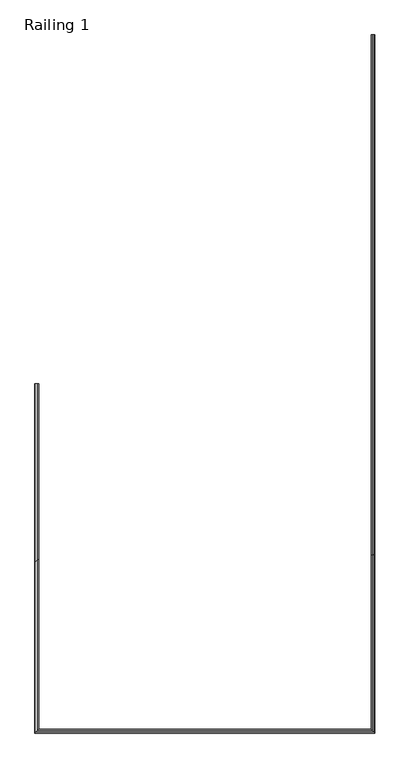
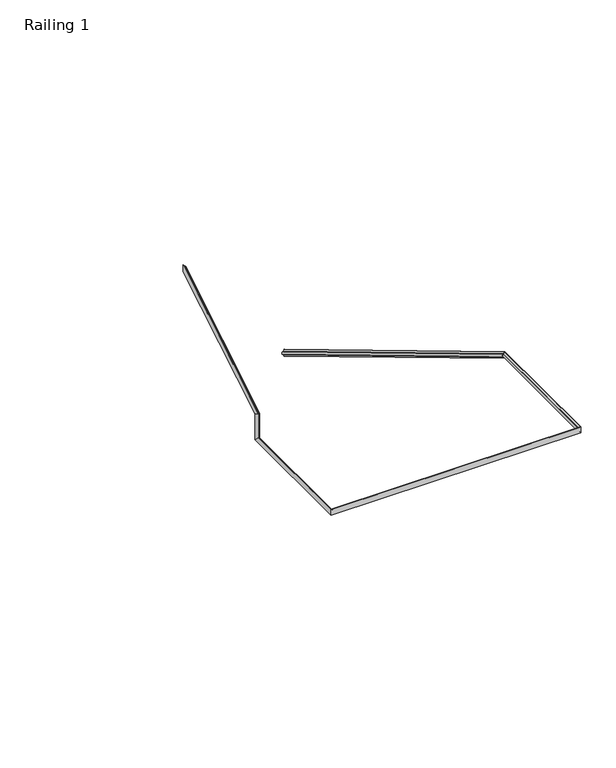
"""IFC4 building model written with IfcOpenShell, lengths in millimetres: railing geometry, Railing 1."""

from ifc_helpers import new_model, si_unit, frame, origin, place, context, project, spatial, polyline, ellipse_curve, source, transform, mapped, element, save
from ifc_brep_helpers import plane_surface, cylinder_surface, revolved_surface, advanced_brep


def railing_1_d3d0bb87(model_context):
    return source(origin(), model_context, "Body", "AdvancedBrep", [
        advanced_brep(
        [(1352.1483551, 5729.7049621, 3729.5630911), (1352.1483551, 5729.7049621, 3680.0), (1349.1483551, 5729.7049621, 3680.0), (1340.6483551, 5729.7049621, 3691.6619038), (1340.6483551, 5729.7049621, 3694.8689273), (1340.6483551, 5729.7049621, 3714.6941638), (1340.6483551, 5729.7049621, 3717.9011873), (1349.1483551, 5729.7049621, 3729.5630911), (1352.1483551, 3041.4767806, 5342.5), (1352.1483551, 3029.7049621, 5300.0), (1352.1483551, 2115.0003969, 5342.5), (1352.1483551, 2115.0003969, 5300.0), (-408.3453565, 2115.0003969, 5342.5), (-408.3453565, 2115.0003969, 5300.0), (-408.3453565, 3001.3185624, 5342.5), (-408.3453565, 3043.8185624, 5300.0), (-408.3453565, 3001.3185624, 5516.8130911), (-408.3453565, 3043.8185624, 5492.75), (-408.3453565, 3922.5685624, 6069.5630911), (-405.3453565, 3922.5685624, 6069.5630911), (-396.8453565, 3922.5685624, 6057.9011873), (-396.8453565, 3922.5685624, 6054.6941638), (-396.8453565, 3922.5685624, 6034.8689273), (-396.8453565, 3922.5685624, 6031.6619038), (-405.3453565, 3922.5685624, 6020.0), (-408.3453565, 3922.5685624, 6020.0), (1349.1483551, 3029.7049621, 5300.0), (1340.6483551, 3032.4748018, 5310.0), (1340.6483551, 3033.2365077, 5312.75), (1340.6483551, 3037.9452351, 5329.75), (1340.6483551, 3038.706941, 5332.5), (1349.1483551, 3041.4767806, 5342.5), (1349.1483551, 2118.0003969, 5300.0), (1340.6483551, 2126.5003969, 5310.0), (1340.6483551, 2126.5003969, 5312.75), (1340.6483551, 2126.5003969, 5329.75), (1340.6483551, 2126.5003969, 5332.5), (1349.1483551, 2118.0003969, 5342.5), (-405.3453565, 2118.0003969, 5300.0), (-396.8453565, 2126.5003969, 5310.0), (-396.8453565, 2126.5003969, 5312.75), (-396.8453565, 2126.5003969, 5329.75), (-396.8453565, 2126.5003969, 5332.5), (-405.3453565, 2118.0003969, 5342.5), (-405.3453565, 3043.8185624, 5300.0), (-396.8453565, 3033.8185624, 5310.0), (-396.8453565, 3031.0685624, 5312.75), (-396.8453565, 3014.0685624, 5329.75), (-396.8453565, 3011.3185624, 5332.5), (-405.3453565, 3001.3185624, 5342.5), (-405.3453565, 3043.8185624, 5492.75), (-396.8453565, 3033.8185624, 5498.4119038), (-396.8453565, 3031.0685624, 5499.9689273), (-396.8453565, 3014.0685624, 5509.5941638), (-396.8453565, 3011.3185624, 5511.1511873), (-405.3453565, 3001.3185624, 5516.8130911)],
        [
            (0, 1),
            (1, 2),
            (2, 3, ellipse_curve(frame((1335.1495647, 5729.7049621, 3676.1673481), z_axis=(0.0, -1.0, 0.0), x_axis=(0.0, 0.0, 1.0)), 16.7691134, 14.3793961)),
            (3, 4),
            (4, 5, ellipse_curve(frame((1340.6483551, 5729.7049621, 3704.7815456), z_axis=(0.0, 1.0, 0.0), x_axis=(0.0, 0.0, -1.0)), 9.9126182, 8.5)),
            (5, 6),
            (6, 7, ellipse_curve(frame((1335.1495647, 5729.7049621, 3733.395743), z_axis=(0.0, -1.0, 0.0), x_axis=(0.0, 0.0, 1.0)), 16.7691134, 14.3793961)),
            (7, 0),
            (0, 8),
            (8, 9),
            (9, 1),
            (8, 10),
            (10, 11),
            (11, 9),
            (10, 12),
            (12, 13),
            (13, 11),
            (12, 14),
            (14, 15),
            (15, 13),
            (14, 16),
            (16, 17),
            (17, 15),
            (18, 19),
            (19, 20, ellipse_curve(frame((-391.346566, 3922.5685624, 6073.395743), z_axis=(0.0, -1.0, 0.0), x_axis=(0.0, 0.0, 1.0)), 16.7691134, 14.3793961)),
            (20, 21),
            (21, 22, ellipse_curve(frame((-396.8453565, 3922.5685624, 6044.7815456), z_axis=(0.0, 1.0, 0.0), x_axis=(0.0, 0.0, -1.0)), 9.9126182, 8.5)),
            (22, 23),
            (23, 24, ellipse_curve(frame((-391.346566, 3922.5685624, 6016.1673481), z_axis=(0.0, -1.0, 0.0), x_axis=(0.0, 0.0, 1.0)), 16.7691134, 14.3793961)),
            (24, 25),
            (25, 18),
            (16, 18),
            (25, 17),
            (9, 26),
            (26, 2),
            (26, 27, ellipse_curve(frame((1335.1495647, 3028.7946621, 5296.7135281), z_axis=(0.0, -0.9637149282107609, 0.26693358189581146), x_axis=(0.0, 0.2669335818958111, 0.9637149282107611)), 14.9207984, 14.3793961)),
            (27, 3),
            (27, 28),
            (28, 4),
            (28, 29, ellipse_curve(frame((1340.6483551, 3035.5908714, 5321.25), z_axis=(0.0, 0.9637149282107609, -0.26693358189581146), x_axis=(0.0, -0.2669335818958111, -0.9637149282107611)), 8.8200356, 8.5)),
            (29, 5),
            (29, 30),
            (30, 6),
            (30, 31, ellipse_curve(frame((1335.1495647, 3042.3870807, 5345.7864719), z_axis=(0.0, -0.9637149282107609, 0.26693358189581146), x_axis=(0.0, 0.2669335818958111, 0.9637149282107611)), 14.9207984, 14.3793961)),
            (31, 7),
            (31, 8),
            (11, 32),
            (32, 26),
            (32, 33, ellipse_curve(frame((1335.1495647, 2131.9991873, 5296.7135281), z_axis=(-0.7071067811865488, -0.7071067811865461, 0.0), x_axis=(0.707106781186546, -0.707106781186549, 0.0)), 20.335537, 14.3793961)),
            (33, 27),
            (33, 34),
            (34, 28),
            (34, 35, ellipse_curve(frame((1340.6483551, 2126.5003969, 5321.25), z_axis=(0.7071067811865488, 0.7071067811865461, 0.0), x_axis=(-0.707106781186546, 0.707106781186549, 0.0)), 12.0208153, 8.5)),
            (35, 29),
            (35, 36),
            (36, 30),
            (36, 37, ellipse_curve(frame((1335.1495647, 2131.9991873, 5345.7864719), z_axis=(-0.7071067811865488, -0.7071067811865461, 0.0), x_axis=(0.707106781186546, -0.707106781186549, 0.0)), 20.335537, 14.3793961)),
            (37, 31),
            (37, 10),
            (13, 38),
            (38, 32),
            (38, 39, ellipse_curve(frame((-391.346566, 2131.9991873, 5296.7135281), z_axis=(-0.7071067811865464, 0.7071067811865488, 0.0), x_axis=(-0.7071067811865486, -0.7071067811865465, 0.0)), 20.335537, 14.3793961)),
            (39, 33),
            (39, 40),
            (40, 34),
            (40, 41, ellipse_curve(frame((-396.8453565, 2126.5003969, 5321.25), z_axis=(0.7071067811865464, -0.7071067811865488, 0.0), x_axis=(0.7071067811865486, 0.7071067811865465, 0.0)), 12.0208153, 8.5)),
            (41, 35),
            (41, 42),
            (42, 36),
            (42, 43, ellipse_curve(frame((-391.346566, 2131.9991873, 5345.7864719), z_axis=(-0.7071067811865464, 0.7071067811865488, 0.0), x_axis=(-0.7071067811865486, -0.7071067811865465, 0.0)), 20.335537, 14.3793961)),
            (43, 37),
            (43, 12),
            (15, 44),
            (44, 38),
            (44, 45, ellipse_curve(frame((-391.346566, 3047.1050343, 5296.7135281), z_axis=(0.0, 0.7071067811865476, 0.7071067811865475), x_axis=(0.0, 0.7071067811865474, -0.7071067811865476)), 20.335537, 14.3793961)),
            (45, 39),
            (45, 46),
            (46, 40),
            (46, 47, ellipse_curve(frame((-396.8453565, 3022.5685624, 5321.25), z_axis=(0.0, -0.7071067811865476, -0.7071067811865475), x_axis=(0.0, -0.7071067811865474, 0.7071067811865476)), 12.0208153, 8.5)),
            (47, 41),
            (47, 48),
            (48, 42),
            (48, 49, ellipse_curve(frame((-391.346566, 2998.0320905, 5345.7864719), z_axis=(0.0, 0.7071067811865476, 0.7071067811865475), x_axis=(0.0, 0.7071067811865474, -0.7071067811865476)), 20.335537, 14.3793961)),
            (49, 43),
            (49, 14),
            (17, 50),
            (50, 44),
            (50, 51, ellipse_curve(frame((-391.346566, 3047.1050343, 5490.8892312), z_axis=(0.0, 0.4926988149835932, 0.8701999067534788), x_axis=(0.0, -0.8701999067534789, 0.4926988149835928)), 16.5242446, 14.3793961)),
            (51, 45),
            (51, 52),
            (52, 46),
            (52, 53, ellipse_curve(frame((-396.8453565, 3022.5685624, 5504.7815456), z_axis=(0.0, -0.4926988149835932, -0.8701999067534788), x_axis=(0.0, 0.8701999067534789, -0.4926988149835928)), 9.7678705, 8.5)),
            (53, 47),
            (53, 54),
            (54, 48),
            (54, 55, ellipse_curve(frame((-391.346566, 2998.0320905, 5518.6738599), z_axis=(0.0, 0.4926988149835932, 0.8701999067534788), x_axis=(0.0, -0.8701999067534789, 0.4926988149835928)), 16.5242446, 14.3793961)),
            (55, 49),
            (55, 16),
            (24, 50),
            (23, 51),
            (22, 52),
            (21, 53),
            (20, 54),
            (19, 55),
        ],
        [
            plane_surface(frame((1327.1483551, 5729.7049621, 3680.0), z_axis=(0.0, 1.0, 0.0), x_axis=(0.0, 0.0, -1.0))),
            plane_surface(frame((1352.1483551, 5729.7049621, 3729.5630911), z_axis=(1.0, 0.0, 0.0), x_axis=(0.0, -0.8574929257125442, 0.5144957554275266))),
            plane_surface(frame((1352.1483551, 3041.4767806, 5342.5), z_axis=(1.0, 0.0, 0.0), x_axis=(0.0, -1.0, 0.0))),
            plane_surface(frame((1352.1483551, 2115.0003969, 5342.5), z_axis=(0.0, -1.0, 0.0), x_axis=(-1.0, 0.0, 0.0))),
            plane_surface(frame((-408.3453565, 2115.0003969, 5342.5), z_axis=(-1.0, 0.0, 0.0), x_axis=(0.0, 1.0, 0.0))),
            plane_surface(frame((-408.3453565, 3001.3185624, 5342.5), z_axis=(-1.0, 0.0, 0.0), x_axis=(0.0, 0.0, 1.0))),
            plane_surface(frame((-383.3453565, 3922.5685624, 6020.0), z_axis=(0.0, 1.0, 0.0), x_axis=(0.0, 0.0, 1.0))),
            plane_surface(frame((-408.3453565, 3001.3185624, 5516.8130911), z_axis=(-1.0000000000000002, 0.0, 0.0), x_axis=(0.0, 0.8574929257125445, 0.5144957554275261))),
            plane_surface(frame((1352.1483551, 5729.7049621, 3680.0), z_axis=(0.0, -0.5144957554275267, -0.8574929257125442), x_axis=(0.0, -0.8574929257125442, 0.5144957554275267))),
            revolved_surface(polyline([(1349.5289607999998, 3025.379385981114, 5298.762693791332), (1349.5289607999998, 5737.103100373529, 3671.7284651558825)]), (1335.1495647, 5728.0140863, 3677.1818736), (0.0, -0.8574929257125442, 0.5144957554275266)),
            plane_surface(frame((1340.6483551, 5729.7049621, 3691.6619038), z_axis=(-1.0000000000000002, 0.0, 0.0), x_axis=(0.0, -0.8574929257125442, 0.5144957554275267))),
            cylinder_surface(frame((1340.6483551, 5740.6379969, 3698.2217247), z_axis=(0.0, 0.8574929257125442, -0.5144957554275266), x_axis=(1.0, 0.0, 0.0)), 8.5),
            plane_surface(frame((1340.6483551, 5729.7049621, 3714.6941638), z_axis=(-1.0000000000000002, 0.0, 0.0), x_axis=(0.0, -0.8574929257125442, 0.5144957554275267))),
            revolved_surface(polyline([(1349.5289607999998, 3038.971804589937, 5347.835637606038), (1349.5289607999998, 5737.103100408824, 3728.956860114706)]), (1335.1495647, 5753.2619076, 3719.2615758), (0.0, -0.8574929257125442, 0.5144957554275266)),
            plane_surface(frame((1349.1483551, 5729.7049621, 3729.5630911), z_axis=(0.0, 0.5144957554275266, 0.8574929257125442), x_axis=(0.0, -0.8574929257125442, 0.5144957554275266))),
            plane_surface(frame((1352.1483551, 3029.7049621, 5300.0), z_axis=(0.0, 0.0, -1.0), x_axis=(0.0, -1.0, 0.0))),
            revolved_surface(polyline([(1349.5289607999998, 2117.61979118823, 5296.7135281), (1349.5289607999998, 3032.777524261657, 5296.7135281)]), (1335.1495647, 3029.7049621, 5296.7135281), (0.0, -1.0, 0.0)),
            plane_surface(frame((1340.6483551, 3032.4748018, 5310.0), z_axis=(-1.0, 0.0, 0.0), x_axis=(0.0, -1.0, 0.0))),
            cylinder_surface(frame((1340.6483551, 3029.7049621, 5321.25), z_axis=(0.0, 1.0, 0.0), x_axis=(1.0, 0.0, 0.0)), 8.5),
            plane_surface(frame((1340.6483551, 3037.9452351, 5329.75), z_axis=(-1.0, 0.0, 0.0), x_axis=(0.0, -1.0, 0.0))),
            revolved_surface(polyline([(1349.5289607999998, 2117.61979118823, 5345.7864719), (1349.5289607999998, 3046.369942861657, 5345.7864719)]), (1335.1495647, 3029.7049621, 5345.7864719), (0.0, -1.0, 0.0)),
            plane_surface(frame((1349.1483551, 3041.4767806, 5342.5), z_axis=(0.0, 0.0, 1.0), x_axis=(0.0, -1.0, 0.0))),
            plane_surface(frame((1352.1483551, 2115.0003969, 5300.0), z_axis=(0.0, 0.0, -1.0), x_axis=(-1.0, 0.0, 0.0))),
            revolved_surface(polyline([(-405.72596211176983, 2117.6197912, 5296.7135281), (1349.5289608117698, 2117.6197912, 5296.7135281)]), (1327.1483551, 2131.9991873, 5296.7135281), (-1.0, 0.0, 0.0)),
            plane_surface(frame((1340.6483551, 2126.5003969, 5310.0), z_axis=(0.0, 1.0, 0.0), x_axis=(-1.0, 0.0, 0.0))),
            cylinder_surface(frame((1327.1483551, 2126.5003969, 5321.25), z_axis=(1.0, 0.0, 0.0), x_axis=(0.0, -1.0, 0.0)), 8.5),
            plane_surface(frame((1340.6483551, 2126.5003969, 5329.75), z_axis=(0.0, 1.0, 0.0), x_axis=(-1.0, 0.0, 0.0))),
            revolved_surface(polyline([(-405.72596211176983, 2117.6197912, 5345.7864719), (1349.5289608117698, 2117.6197912, 5345.7864719)]), (1327.1483551, 2131.9991873, 5345.7864719), (-1.0, 0.0, 0.0)),
            plane_surface(frame((1349.1483551, 2118.0003969, 5342.5), z_axis=(0.0, 0.0, 1.0), x_axis=(-1.0, 0.0, 0.0))),
            plane_surface(frame((-408.3453565, 2115.0003969, 5300.0), z_axis=(0.0, 0.0, -1.0), x_axis=(0.0, 1.0, 0.0))),
            revolved_surface(polyline([(-405.7259621, 3061.48443041177, 5296.7135281), (-405.7259621, 2117.61979118823, 5296.7135281)]), (-391.346566, 2140.0003969, 5296.7135281), (0.0, 1.0, 0.0)),
            plane_surface(frame((-396.8453565, 2126.5003969, 5310.0), z_axis=(1.0, 0.0, 0.0), x_axis=(0.0, 1.0, 0.0))),
            cylinder_surface(frame((-396.8453565, 2140.0003969, 5321.25), z_axis=(0.0, -1.0, 0.0), x_axis=(-1.0, 0.0, 0.0)), 8.5),
            plane_surface(frame((-396.8453565, 2126.5003969, 5329.75), z_axis=(1.0, 0.0, 0.0), x_axis=(0.0, 1.0, 0.0))),
            revolved_surface(polyline([(-405.7259621, 3012.4114866117698, 5345.7864719), (-405.7259621, 2117.61979118823, 5345.7864719)]), (-391.346566, 2140.0003969, 5345.7864719), (0.0, 1.0, 0.0)),
            plane_surface(frame((-405.3453565, 2118.0003969, 5342.5), z_axis=(0.0, 0.0, 1.0), x_axis=(0.0, 1.0, 0.0))),
            plane_surface(frame((-408.3453565, 3043.8185624, 5300.0), z_axis=(0.0, 1.0, 0.0), x_axis=(0.0, 0.0, 1.0))),
            revolved_surface(polyline([(-405.7259621, 3047.1050343, 5499.030706932919), (-405.7259621, 3047.1050343, 5282.33413198823)]), (-391.346566, 3047.1050343, 5300.0), (0.0, 0.0, 1.0)),
            plane_surface(frame((-396.8453565, 3033.8185624, 5310.0), z_axis=(1.0, 0.0, 0.0), x_axis=(0.0, 0.0, 1.0))),
            cylinder_surface(frame((-396.8453565, 3022.5685624, 5300.0), z_axis=(0.0, 0.0, -1.0), x_axis=(-1.0, 0.0, 0.0)), 8.5),
            plane_surface(frame((-396.8453565, 3014.0685624, 5329.75), z_axis=(1.0, 0.0, 0.0), x_axis=(0.0, 0.0, 1.0))),
            revolved_surface(polyline([(-405.7259621, 2998.0320905, 5526.815335632919), (-405.7259621, 2998.0320905, 5331.40707578823)]), (-391.346566, 2998.0320905, 5300.0), (0.0, 0.0, 1.0)),
            plane_surface(frame((-405.3453565, 3001.3185624, 5342.5), z_axis=(0.0, -1.0, 0.0), x_axis=(0.0, 0.0, 1.0))),
            plane_surface(frame((-408.3453565, 3043.8185624, 5492.75), z_axis=(0.0, 0.5144957554275259, -0.8574929257125445), x_axis=(0.0, 0.8574929257125445, 0.5144957554275259))),
            revolved_surface(polyline([(-405.7259621, 3929.9667006558825, 6020.606231073529), (-405.7259621, 3040.123776427691, 5486.700476536615)]), (-391.346566, 3045.5094382, 5489.9318736), (0.0, 0.8574929257125444, 0.5144957554275262)),
            plane_surface(frame((-396.8453565, 3033.8185624, 5498.4119038), z_axis=(1.0000000000000002, 0.0, 0.0), x_axis=(0.0, 0.8574929257125443, 0.5144957554275265))),
            cylinder_surface(frame((-396.8453565, 3032.8855276, 5510.9717247), z_axis=(0.0, -0.8574929257125444, -0.5144957554275262), x_axis=(-1.0, 0.0, 0.0)), 8.5),
            plane_surface(frame((-396.8453565, 3014.0685624, 5509.5941638), z_axis=(1.0, 0.0, 0.0), x_axis=(0.0, 0.8574929257125443, 0.5144957554275262))),
            revolved_surface(polyline([(-405.7259621, 3929.966700620588, 6077.834626032352), (-405.7259621, 2991.050832627691, 5514.485105236615)]), (-391.346566, 3020.2616169, 5532.0115758), (0.0, 0.8574929257125444, 0.5144957554275262)),
            plane_surface(frame((-405.3453565, 3001.3185624, 5516.8130911), z_axis=(0.0, -0.5144957554275261, 0.8574929257125445), x_axis=(0.0, 0.8574929257125445, 0.5144957554275261))),
        ],
        [
            (0, [[1, 2, 3, 4, 5, 6, 7, 8]]),
            (1, [[-1, 9, 10, 11]]),
            (2, [[-10, 12, 13, 14]]),
            (3, [[-13, 15, 16, 17]]),
            (4, [[-16, 18, 19, 20]]),
            (5, [[-19, 21, 22, 23]]),
            (6, [[24, 25, 26, 27, 28, 29, 30, 31]]),
            (7, [[-22, 32, -31, 33]]),
            (8, [[-2, -11, 34, 35]]),
            (9, [[-3, -35, 36, 37]]),
            (10, [[-4, -37, 38, 39]]),
            (11, [[-5, -39, 40, 41]]),
            (12, [[-6, -41, 42, 43]]),
            (13, [[-7, -43, 44, 45]]),
            (14, [[-8, -45, 46, -9]]),
            (15, [[-34, -14, 47, 48]]),
            (16, [[-36, -48, 49, 50]]),
            (17, [[-38, -50, 51, 52]]),
            (18, [[-40, -52, 53, 54]]),
            (19, [[-42, -54, 55, 56]]),
            (20, [[-44, -56, 57, 58]]),
            (21, [[-46, -58, 59, -12]]),
            (22, [[-47, -17, 60, 61]]),
            (23, [[-49, -61, 62, 63]]),
            (24, [[-51, -63, 64, 65]]),
            (25, [[-53, -65, 66, 67]]),
            (26, [[-55, -67, 68, 69]]),
            (27, [[-57, -69, 70, 71]]),
            (28, [[-59, -71, 72, -15]]),
            (29, [[-60, -20, 73, 74]]),
            (30, [[-62, -74, 75, 76]]),
            (31, [[-64, -76, 77, 78]]),
            (32, [[-66, -78, 79, 80]]),
            (33, [[-68, -80, 81, 82]]),
            (34, [[-70, -82, 83, 84]]),
            (35, [[-72, -84, 85, -18]]),
            (36, [[-73, -23, 86, 87]]),
            (37, [[-75, -87, 88, 89]]),
            (38, [[-77, -89, 90, 91]]),
            (39, [[-79, -91, 92, 93]]),
            (40, [[-81, -93, 94, 95]]),
            (41, [[-83, -95, 96, 97]]),
            (42, [[-85, -97, 98, -21]]),
            (43, [[-86, -33, -30, 99]]),
            (44, [[-88, -99, -29, 100]]),
            (45, [[-90, -100, -28, 101]]),
            (46, [[-92, -101, -27, 102]]),
            (47, [[-94, -102, -26, 103]]),
            (48, [[-96, -103, -25, 104]]),
            (49, [[-98, -104, -24, -32]]),
        ],
    ),
    ])


if __name__ == "__main__":
    model = new_model("IFC4")
    model_context = context("Model", 3, world=origin())
    ifc_project = project(units=[si_unit("LENGTHUNIT", "METRE", prefix="MILLI")], contexts=[model_context])
    site = spatial("IfcSite", under=ifc_project)
    building = spatial("IfcBuilding", under=site)
    placement = place(None, origin())
    railing_1_shape = railing_1_d3d0bb87(model_context)
    element("IfcRailing", 1, ObjectType="Railing 1", at=placement, inside=building, context=model_context, shape_type="MappedRepresentation", body=[
        mapped(railing_1_shape, transform((0.0, 0.0, 0.0), x_axis=(1.0, 0.0, 0.0), y_axis=(0.0, 1.0, 0.0), z_axis=(0.0, 0.0, 1.0))),
    ])
    save(model, "model.ifc")
